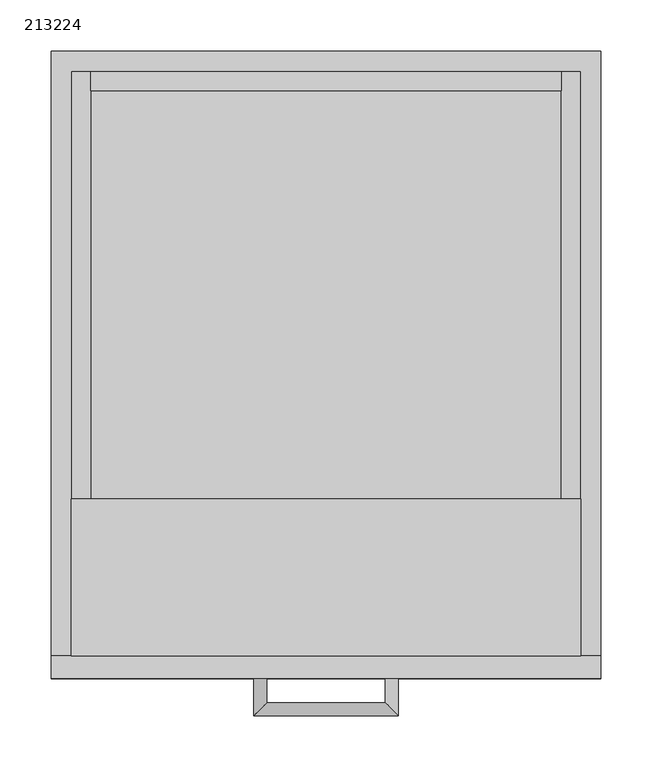
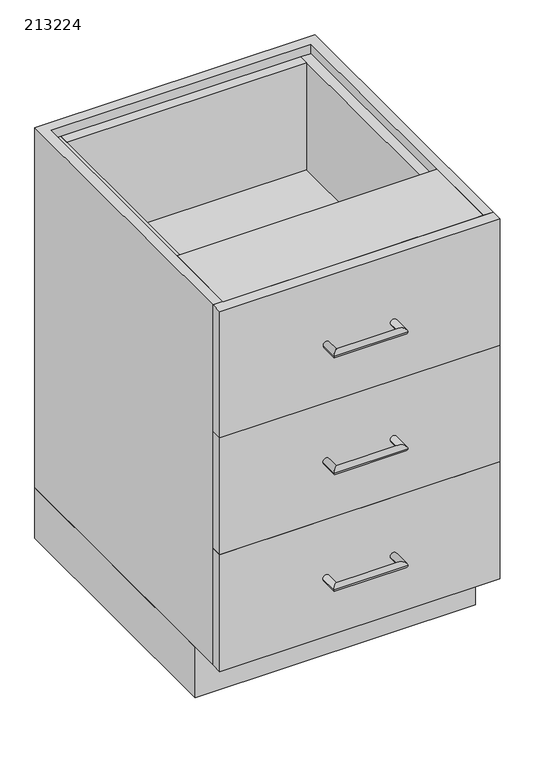
"""IFC4 building model written with IfcOpenShell, lengths in millimetres: furniture geometry, 213224."""

from ifc_helpers import new_model, si_unit, frame, origin, origin_with_axes, place, context, project, spatial, polyline, circle_curve, ellipse_curve, outline, extrude, source, transform, mapped, element, save
from ifc_brep_helpers import plane_surface, cylinder_surface, advanced_brep


def furniture_213224_e94f6b8f(model_context):
    return source(origin(), model_context, "Body", "SolidModel", [
        extrude(outline(polyline([(-247.9622951, 0.0), (285.4377049, 0.0), (285.4377049, -528.6), (-247.9622951, -528.6), (-247.9622951, 0.0)]), holes=[polyline([(-228.7622951, -509.4), (266.2377049, -509.4), (266.2377049, -19.2), (-228.7622951, -19.2), (-228.7622951, -509.4)])]), origin_with_axes(), (0.0, 0.0, 1.0), 101.5996875),
        extrude(outline(polyline([(247.0377049, -19.2), (247.0377049, -38.4), (-209.5622951, -38.4), (-209.5622951, -19.2), (247.0377049, -19.2)])), frame((0.0, 0.0, 590.5998958), z_axis=(0.0, 0.0, 1.0), x_axis=(1.0, 0.0, 0.0)), (0.0, 0.0, 1.0), 215.7001042),
        extrude(outline(polyline([(247.0377049, -19.2), (247.0377049, -38.4), (-209.5622951, -38.4), (-209.5622951, -19.2), (247.0377049, -19.2)])), frame((0.0, 0.0, 355.6997917), z_axis=(0.0, 0.0, 1.0), x_axis=(1.0, 0.0, 0.0)), (0.0, 0.0, 1.0), 215.7001042),
        extrude(outline(polyline([(247.0377049, -19.2), (247.0377049, -38.4), (-209.5622951, -38.4), (-209.5622951, -19.2), (247.0377049, -19.2)])), frame((0.0, 0.0, 120.7996875), z_axis=(0.0, 0.0, 1.0), x_axis=(1.0, 0.0, 0.0)), (0.0, 0.0, 1.0), 215.7001042),
        extrude(outline(polyline([(806.3, -209.5622951), (806.3, -228.7622951), (571.3998958, -228.7622951), (571.3998958, 266.2377049), (806.3, 266.2377049), (806.3, 247.0377049), (590.5998958, 247.0377049), (590.5998958, -209.5622951), (806.3, -209.5622951)])), frame((0.0, -587.6, 0.0), z_axis=(0.0, 1.0, 0.0), x_axis=(0.0, 0.0, 1.0)), (0.0, 0.0, 1.0), 568.4),
        extrude(outline(polyline([(571.3998958, -209.5622951), (571.3998958, -228.7622951), (336.4997917, -228.7622951), (336.4997917, 266.2377049), (571.3998958, 266.2377049), (571.3998958, 247.0377049), (355.6997917, 247.0377049), (355.6997917, -209.5622951), (571.3998958, -209.5622951)])), frame((0.0, -587.6, 0.0), z_axis=(0.0, 1.0, 0.0), x_axis=(0.0, 0.0, 1.0)), (0.0, 0.0, 1.0), 568.4),
        extrude(outline(polyline([(336.4997917, -209.5622951), (336.4997917, -228.7622951), (101.5996875, -228.7622951), (101.5996875, 266.2377049), (336.4997917, 266.2377049), (336.4997917, 247.0377049), (120.7996875, 247.0377049), (120.7996875, -209.5622951), (336.4997917, -209.5622951)])), frame((0.0, -587.6, 0.0), z_axis=(0.0, 1.0, 0.0), x_axis=(0.0, 0.0, 1.0)), (0.0, 0.0, 1.0), 568.4),
        extrude(outline(polyline([(266.2377049, -435.2), (266.2377049, -587.6), (-228.7622951, -587.6), (-228.7622951, -435.2), (266.2377049, -435.2)])), frame((0.0, 0.0, 806.3), z_axis=(0.0, 0.0, 1.0), x_axis=(1.0, 0.0, 0.0)), (0.0, 0.0, 1.0), 19.2),
        extrude(outline(polyline([(-247.9622951, -609.6), (-247.9622951, -587.6), (285.4377049, -587.6), (285.4377049, -609.6), (-247.9622951, -609.6)])), frame((0.0, 0.0, 571.3998958), z_axis=(0.0, 0.0, 1.0), x_axis=(1.0, 0.0, 0.0)), (0.0, 0.0, 1.0), 254.1001042),
        advanced_brep(
        [(-51.6122951, -609.6, 688.8499479), (-38.9122951, -609.6, 688.8499479), (-51.6122951, -645.95, 688.8499479), (-38.9122951, -633.25, 688.8499479), (89.0877049, -645.95, 688.8499479), (76.3877049, -633.25, 688.8499479), (89.0877049, -609.6, 688.8499479), (76.3877049, -609.6, 688.8499479)],
        [
            (0, 1, circle_curve(frame((-45.2622951, -609.6, 688.8499479), z_axis=(0.0, 1.0, 0.0), x_axis=(1.0, 0.0, 0.0)), 6.35)),
            (1, 0, circle_curve(frame((-45.2622951, -609.6, 688.8499479), z_axis=(0.0, 1.0, 0.0), x_axis=(1.0, 0.0, 0.0)), 6.35)),
            (0, 2),
            (2, 3, ellipse_curve(frame((-45.2622951, -639.6, 688.8499479), z_axis=(-0.7071067811865475, 0.7071067811865475, 0.0), x_axis=(0.7071067811865474, 0.7071067811865476, 0.0)), 8.9802561, 6.35)),
            (3, 1),
            (3, 2, ellipse_curve(frame((-45.2622951, -639.6, 688.8499479), z_axis=(-0.7071067811865475, 0.7071067811865475, 0.0), x_axis=(0.7071067811865474, 0.7071067811865476, 0.0)), 8.9802561, 6.35)),
            (2, 4),
            (4, 5, ellipse_curve(frame((82.7377049, -639.6, 688.8499479), z_axis=(-0.7071067811865475, -0.7071067811865475, 0.0), x_axis=(-0.7071067811865476, 0.7071067811865474, 0.0)), 8.9802561, 6.35)),
            (5, 3),
            (5, 4, ellipse_curve(frame((82.7377049, -639.6, 688.8499479), z_axis=(-0.7071067811865475, -0.7071067811865475, 0.0), x_axis=(-0.7071067811865476, 0.7071067811865474, 0.0)), 8.9802561, 6.35)),
            (6, 7, circle_curve(frame((82.7377049, -609.6, 688.8499479), z_axis=(0.0, 1.0, 0.0), x_axis=(-1.0, 0.0, 0.0)), 6.35)),
            (7, 6, circle_curve(frame((82.7377049, -609.6, 688.8499479), z_axis=(0.0, 1.0, 0.0), x_axis=(-1.0, 0.0, 0.0)), 6.35)),
            (4, 6),
            (7, 5),
        ],
        [
            plane_surface(frame((-45.2622951, -609.6, 688.8499479), z_axis=(0.0, 1.0, 0.0), x_axis=(0.0, 0.0, 1.0))),
            cylinder_surface(frame((-45.2622951, -609.6, 688.8499479), z_axis=(0.0, 1.0, 0.0), x_axis=(1.0, 0.0, 0.0)), 6.35),
            cylinder_surface(frame((-45.2622951, -639.6, 688.8499479), z_axis=(-1.0, 0.0, 0.0), x_axis=(0.0, 1.0, 0.0)), 6.35),
            plane_surface(frame((82.7377049, -609.6, 688.8499479), z_axis=(0.0, 1.0, 0.0), x_axis=(0.0, 0.0, 1.0))),
            cylinder_surface(frame((82.7377049, -639.6, 688.8499479), z_axis=(0.0, -1.0, 0.0), x_axis=(-1.0, 0.0, 0.0)), 6.35),
        ],
        [
            (0, [[1, 2]]),
            (1, [[-1, 3, 4, 5]]),
            (1, [[-2, -5, 6, -3]]),
            (2, [[-4, 7, 8, 9]]),
            (2, [[-6, -9, 10, -7]]),
            (3, [[11, 12]]),
            (4, [[-8, 13, -12, 14]]),
            (4, [[-10, -14, -11, -13]]),
        ],
    ),
        advanced_brep(
        [(76.3877049, -609.6, 219.0497396), (89.0877049, -609.6, 219.0497396), (76.3877049, -633.25, 219.0497396), (89.0877049, -645.95, 219.0497396), (-38.9122951, -633.25, 219.0497396), (-51.6122951, -645.95, 219.0497396), (-38.9122951, -609.6, 219.0497396), (-51.6122951, -609.6, 219.0497396)],
        [
            (0, 1, circle_curve(frame((82.7377049, -609.6, 219.0497396), z_axis=(0.0, 1.0, 0.0), x_axis=(1.0, 0.0, 0.0)), 6.35)),
            (1, 0, circle_curve(frame((82.7377049, -609.6, 219.0497396), z_axis=(0.0, 1.0, 0.0), x_axis=(1.0, 0.0, 0.0)), 6.35)),
            (0, 2),
            (2, 3, ellipse_curve(frame((82.7377049, -639.6, 219.0497396), z_axis=(0.7071067811865475, 0.7071067811865475, 0.0), x_axis=(-0.7071067811865474, 0.7071067811865476, 0.0)), 8.9802561, 6.35)),
            (3, 1),
            (3, 2, ellipse_curve(frame((82.7377049, -639.6, 219.0497396), z_axis=(0.7071067811865475, 0.7071067811865475, 0.0), x_axis=(-0.7071067811865474, 0.7071067811865476, 0.0)), 8.9802561, 6.35)),
            (2, 4),
            (4, 5, ellipse_curve(frame((-45.2622951, -639.6, 219.0497396), z_axis=(0.7071067811865475, -0.7071067811865475, 0.0), x_axis=(0.7071067811865476, 0.7071067811865474, 0.0)), 8.9802561, 6.35)),
            (5, 3),
            (5, 4, ellipse_curve(frame((-45.2622951, -639.6, 219.0497396), z_axis=(0.7071067811865475, -0.7071067811865475, 0.0), x_axis=(0.7071067811865476, 0.7071067811865474, 0.0)), 8.9802561, 6.35)),
            (6, 7, circle_curve(frame((-45.2622951, -609.6, 219.0497396), z_axis=(0.0, 1.0, 0.0), x_axis=(-1.0, 0.0, 0.0)), 6.35)),
            (7, 6, circle_curve(frame((-45.2622951, -609.6, 219.0497396), z_axis=(0.0, 1.0, 0.0), x_axis=(-1.0, 0.0, 0.0)), 6.35)),
            (4, 6),
            (7, 5),
        ],
        [
            plane_surface(frame((82.7377049, -609.6, 219.0497396), z_axis=(0.0, 1.0, 0.0), x_axis=(0.0, 0.0, 1.0))),
            cylinder_surface(frame((82.7377049, -609.6, 219.0497396), z_axis=(0.0, 1.0, 0.0), x_axis=(1.0, 0.0, 0.0)), 6.35),
            cylinder_surface(frame((82.7377049, -639.6, 219.0497396), z_axis=(1.0, 0.0, 0.0), x_axis=(0.0, -1.0, 0.0)), 6.35),
            plane_surface(frame((-45.2622951, -609.6, 219.0497396), z_axis=(0.0, 1.0, 0.0), x_axis=(0.0, 0.0, 1.0))),
            cylinder_surface(frame((-45.2622951, -639.6, 219.0497396), z_axis=(0.0, -1.0, 0.0), x_axis=(-1.0, 0.0, 0.0)), 6.35),
        ],
        [
            (0, [[1, 2]]),
            (1, [[-1, 3, 4, 5]]),
            (1, [[-2, -5, 6, -3]]),
            (2, [[-4, 7, 8, 9]]),
            (2, [[-6, -9, 10, -7]]),
            (3, [[11, 12]]),
            (4, [[-8, 13, -12, 14]]),
            (4, [[-10, -14, -11, -13]]),
        ],
    ),
        extrude(outline(polyline([(285.4377049, -587.6), (285.4377049, -609.6), (-247.9622951, -609.6), (-247.9622951, -587.6), (285.4377049, -587.6)])), frame((0.0, 0.0, 101.5996875), z_axis=(0.0, 0.0, 1.0), x_axis=(1.0, 0.0, 0.0)), (0.0, 0.0, 1.0), 234.9001042),
        advanced_brep(
        [(-51.6122951, -609.6, 453.9498437), (-38.9122951, -609.6, 453.9498437), (-51.6122951, -645.95, 453.9498437), (-38.9122951, -633.25, 453.9498437), (89.0877049, -645.95, 453.9498437), (76.3877049, -633.25, 453.9498437), (89.0877049, -609.6, 453.9498437), (76.3877049, -609.6, 453.9498437)],
        [
            (0, 1, circle_curve(frame((-45.2622951, -609.6, 453.9498437), z_axis=(0.0, 1.0, 0.0), x_axis=(1.0, 0.0, 0.0)), 6.35)),
            (1, 0, circle_curve(frame((-45.2622951, -609.6, 453.9498437), z_axis=(0.0, 1.0, 0.0), x_axis=(1.0, 0.0, 0.0)), 6.35)),
            (0, 2),
            (2, 3, ellipse_curve(frame((-45.2622951, -639.6, 453.9498437), z_axis=(-0.7071067811865475, 0.7071067811865475, 0.0), x_axis=(0.7071067811865474, 0.7071067811865476, 0.0)), 8.9802561, 6.35)),
            (3, 1),
            (3, 2, ellipse_curve(frame((-45.2622951, -639.6, 453.9498437), z_axis=(-0.7071067811865475, 0.7071067811865475, 0.0), x_axis=(0.7071067811865474, 0.7071067811865476, 0.0)), 8.9802561, 6.35)),
            (2, 4),
            (4, 5, ellipse_curve(frame((82.7377049, -639.6, 453.9498437), z_axis=(-0.7071067811865475, -0.7071067811865475, 0.0), x_axis=(-0.7071067811865476, 0.7071067811865474, 0.0)), 8.9802561, 6.35)),
            (5, 3),
            (5, 4, ellipse_curve(frame((82.7377049, -639.6, 453.9498437), z_axis=(-0.7071067811865475, -0.7071067811865475, 0.0), x_axis=(-0.7071067811865476, 0.7071067811865474, 0.0)), 8.9802561, 6.35)),
            (6, 7, circle_curve(frame((82.7377049, -609.6, 453.9498437), z_axis=(0.0, 1.0, 0.0), x_axis=(-1.0, 0.0, 0.0)), 6.35)),
            (7, 6, circle_curve(frame((82.7377049, -609.6, 453.9498437), z_axis=(0.0, 1.0, 0.0), x_axis=(-1.0, 0.0, 0.0)), 6.35)),
            (4, 6),
            (7, 5),
        ],
        [
            plane_surface(frame((-45.2622951, -609.6, 453.9498437), z_axis=(0.0, 1.0, 0.0), x_axis=(0.0, 0.0, 1.0))),
            cylinder_surface(frame((-45.2622951, -609.6, 453.9498437), z_axis=(0.0, 1.0, 0.0), x_axis=(1.0, 0.0, 0.0)), 6.35),
            cylinder_surface(frame((-45.2622951, -639.6, 453.9498437), z_axis=(-1.0, 0.0, 0.0), x_axis=(0.0, 1.0, 0.0)), 6.35),
            plane_surface(frame((82.7377049, -609.6, 453.9498437), z_axis=(0.0, 1.0, 0.0), x_axis=(0.0, 0.0, 1.0))),
            cylinder_surface(frame((82.7377049, -639.6, 453.9498437), z_axis=(0.0, -1.0, 0.0), x_axis=(-1.0, 0.0, 0.0)), 6.35),
        ],
        [
            (0, [[1, 2]]),
            (1, [[-1, 3, 4, 5]]),
            (1, [[-2, -5, 6, -3]]),
            (2, [[-4, 7, 8, 9]]),
            (2, [[-6, -9, 10, -7]]),
            (3, [[11, 12]]),
            (4, [[-8, 13, -12, 14]]),
            (4, [[-10, -14, -11, -13]]),
        ],
    ),
        extrude(outline(polyline([(-247.9622951, -609.6), (-247.9622951, -587.6), (285.4377049, -587.6), (285.4377049, -609.6), (-247.9622951, -609.6)])), frame((0.0, 0.0, 336.4997917), z_axis=(0.0, 0.0, 1.0), x_axis=(1.0, 0.0, 0.0)), (0.0, 0.0, 1.0), 234.9001042),
        extrude(outline(polyline([(285.4377049, -587.6), (266.2377049, -587.6), (266.2377049, -19.2), (-228.7622951, -19.2), (-228.7622951, -587.6), (-247.9622951, -587.6), (-247.9622951, 0.0), (285.4377049, 0.0), (285.4377049, -587.6)])), frame((0.0, 0.0, 101.5996875), z_axis=(0.0, 0.0, 1.0), x_axis=(1.0, 0.0, 0.0)), (0.0, 0.0, 1.0), 723.9003125),
    ])


if __name__ == "__main__":
    model = new_model("IFC4")
    model_context = context("Model", 3, world=origin())
    ifc_project = project(units=[si_unit("LENGTHUNIT", "METRE", prefix="MILLI")], contexts=[model_context])
    site = spatial("IfcSite", under=ifc_project)
    building = spatial("IfcBuilding", under=site)
    placement = place(None, origin())
    furniture_213224_shape = furniture_213224_e94f6b8f(model_context)
    element("IfcFurniture", 1, ObjectType="213224", at=placement, inside=building, context=model_context, shape_type="MappedRepresentation", body=[
        mapped(furniture_213224_shape, transform((0.0, 0.0, 0.0), x_axis=(1.0, 0.0, 0.0), y_axis=(0.0, 1.0, 0.0), z_axis=(0.0, 0.0, 1.0))),
    ])
    save(model, "model.ifc")
